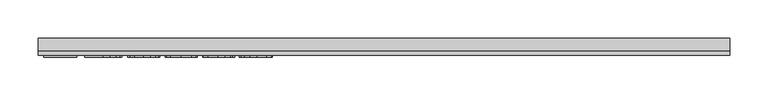
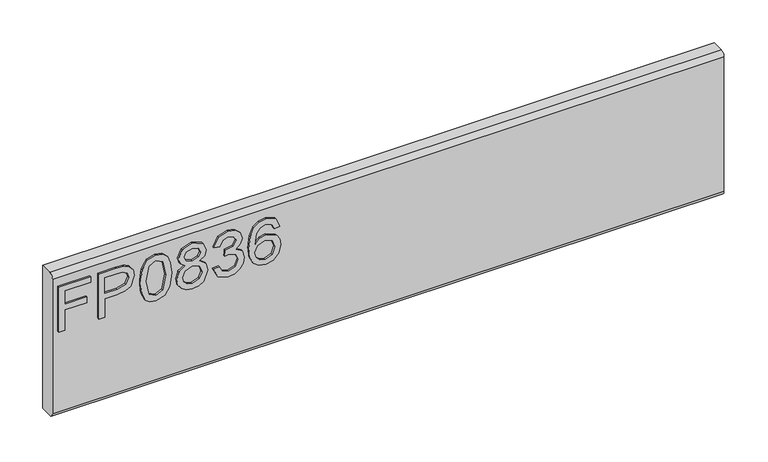
"""IFC4 building model written with IfcOpenShell, lengths in millimetres: furniture geometry."""

from ifc_helpers import new_model, si_unit, frame, origin, place, context, project, spatial, polyline, circle_curve, outline, extrude, source, transform, mapped, element, save
from ifc_brep_helpers import plane_surface, cylinder_surface, advanced_brep


def furniture_95ba7b6f(model_context):
    return source(origin(), model_context, "Body", "SolidModel", [
        extrude(outline(polyline([(679.45, -443.8729953), (679.45, -435.8992757), (708.3547336, -435.8992757), (708.3547336, -405.9978271), (716.3284532, -405.9978271), (716.3284532, -435.8992757), (735.2660373, -435.8992757), (735.2660373, -401.0142524), (743.2397569, -401.0142524), (743.2397569, -443.8729953), (679.45, -443.8729953)])), frame((0.0, -15.0812439, 0.0), z_axis=(0.0, 1.0, 0.0), x_axis=(0.0, 0.0, 1.0)), (0.0, 0.0, 1.0), 2.38125),
        extrude(outline(polyline([(679.45, -390.0503879), (679.45, -382.0766683), (705.3645888, -382.0766683), (705.3645888, -365.8644766), (706.774006, -354.5365776), (711.0022577, -347.3395948), (724.7849567, -342.2080702), (733.482852, -344.1080581), (739.6500257, -349.130567), (742.6323838, -356.8784684), (743.2397569, -366.4095551), (743.2397569, -390.0503879), (679.45, -390.0503879)]), holes=[polyline([(713.3383084, -382.0766683), (735.2660373, -382.0766683), (735.2660373, -365.5841506), (734.7209588, -357.6104309), (731.1078671, -352.2297276), (724.5046306, -350.1817898), (716.2661585, -353.6547185), (713.3383084, -365.3972665), (713.3383084, -382.0766683)])]), frame((0.0, -15.0812439, 0.0), z_axis=(0.0, 1.0, 0.0), x_axis=(0.0, 0.0, 1.0)), (0.0, 0.0, 1.0), 2.38125),
        extrude(outline(polyline([(710.8309473, -334.2343506), (695.3156775, -332.6458361), (684.5270168, -327.8802928), (679.971718, -321.5885296), (678.453285, -313.3033366), (681.9495742, -301.6308701), (692.5552443, -294.6927996), (710.8309473, -292.3723226), (725.8206058, -293.820674), (735.2582505, -297.5583551), (741.1840324, -303.9902813), (743.2397569, -313.3033366), (739.7668283, -324.9290821), (729.1845188, -331.8905131), (710.8309473, -334.2343506)]), holes=[polyline([(710.846521, -326.260631), (730.9988514, -322.3983605), (735.2660373, -313.3967786), (730.4226256, -303.9591339), (710.846521, -300.3460422), (691.0601718, -304.0837233), (686.4270047, -313.3033366), (691.0445982, -322.5229499), (710.846521, -326.260631)])]), frame((0.0, -15.0812439, 0.0), z_axis=(0.0, 1.0, 0.0), x_axis=(0.0, 0.0, 1.0)), (0.0, 0.0, 1.0), 2.38125),
        extrude(outline(polyline([(714.5842021, -273.7773593), (708.7907964, -282.3740257), (698.2318474, -285.3953179), (690.4742125, -283.9547533), (684.1143145, -279.6330596), (679.8685424, -272.9597415), (678.453285, -264.4643039), (679.8627023, -255.9688663), (684.090954, -249.2955482), (698.013816, -243.5332899), (708.3313731, -246.4377796), (714.5842021, -254.9176435), (719.513269, -247.8549837), (727.0275653, -245.5267198), (738.5209346, -250.7594733), (743.2397569, -264.5733196), (738.6299503, -278.2625765), (727.2455967, -283.401888), (719.5366295, -281.0424768), (714.5842021, -273.7773593)]), holes=[polyline([(727.0119916, -275.4281684), (732.8365446, -272.5548261), (735.2660373, -264.4643039), (732.7820368, -256.3971423), (726.6537972, -253.5004395), (720.7358022, -256.3037003), (718.3218831, -264.3708619), (720.7513758, -272.6015471), (727.0119916, -275.4281684)]), polyline([(698.5121735, -277.4215983), (706.9686769, -274.0498985), (710.3481635, -264.6667617), (706.9219559, -255.0110856), (698.2629947, -251.5070095), (689.7675571, -254.9020699), (686.4270047, -264.4020092), (688.0155191, -271.3790139), (692.5085232, -276.0900494), (698.5121735, -277.4215983)])]), frame((0.0, -15.0812439, 0.0), z_axis=(0.0, 1.0, 0.0), x_axis=(0.0, 0.0, 1.0)), (0.0, 0.0, 1.0), 2.38125),
        extrude(outline(polyline([(696.3941542, -236.5562853), (683.4524335, -230.2178011), (678.453285, -216.2326444), (679.9172101, -207.7099529), (684.3089854, -200.7991364), (690.8032063, -196.220477), (698.5744681, -194.6942573), (708.9465331, -197.7466968), (714.397318, -206.4368053), (719.6767925, -199.8958634), (727.0275653, -197.6844021), (735.0713664, -200.012666), (741.0516562, -206.7404919), (743.2397569, -216.3572338), (738.8012607, -229.0342021), (726.2956028, -235.5595703), (725.2988878, -227.5858507), (732.7742499, -223.6768592), (735.2660373, -216.0769077), (732.7976105, -208.5703982), (726.5603552, -205.6581217), (719.5210558, -209.6761289), (717.3251682, -220.0014729), (709.3514486, -220.8891721), (710.2235742, -215.2982242), (706.96089, -206.2343476), (698.7146312, -202.6679769), (689.962228, -206.2654949), (686.4270047, -215.9523184), (688.9966604, -224.1830036), (697.3908691, -228.5825656), (696.3941542, -236.5562853)])), frame((0.0, -15.0812439, 0.0), z_axis=(0.0, 1.0, 0.0), x_axis=(0.0, 0.0, 1.0)), (0.0, 0.0, 1.0), 2.38125),
        extrude(outline(polyline([(726.2956028, -146.8519396), (738.738966, -152.7387872), (743.2397569, -165.3378872), (741.4215308, -174.5925413), (735.9668525, -181.7369629), (725.1081103, -186.9697164), (709.2268592, -188.7139676), (695.1015395, -187.1429735), (685.6171738, -182.4299913), (680.2442572, -175.2252216), (678.453285, -166.1788654), (681.155317, -155.7289321), (688.9421526, -148.487175), (699.9449512, -145.8552246), (708.1172351, -147.2529616), (714.6309231, -151.4461725), (720.315313, -164.9952664), (718.2362279, -173.7087354), (711.8743833, -180.7402479), (726.0853582, -178.4742788), (733.3349021, -173.0312807), (735.2660373, -165.8362447), (731.9488454, -157.8469514), (725.2988878, -154.8256592), (726.2956028, -146.8519396)]), holes=[polyline([(700.0695406, -180.7402479), (708.95432, -176.7767486), (712.3415934, -167.1288594), (708.95432, -157.3563807), (699.6801988, -153.8289442), (689.9933754, -157.4031017), (686.4270047, -166.8018123), (688.1478953, -173.9890615), (693.1626174, -178.8947679), (700.0695406, -180.7402479)])]), frame((0.0, -15.0812439, 0.0), z_axis=(0.0, 1.0, 0.0), x_axis=(0.0, 0.0, 1.0)), (0.0, 0.0, 1.0), 2.38125),
        advanced_brep(
        [(450.85, 9.5250061, 762.0), (450.85, -6.7309939, 762.0), (450.85, -12.6999939, 756.031), (450.85, -12.6999939, 564.769), (450.85, -6.7309939, 558.8), (450.85, 9.5250061, 558.8), (-450.85, 9.5250061, 762.0), (-450.85, 9.5250061, 558.8), (-450.85, -6.7309939, 558.8), (-450.85, -12.6999939, 564.769), (-450.85, -12.6999939, 756.0310121), (-450.85, -6.7309939, 762.0)],
        [
            (0, 1),
            (1, 2, circle_curve(frame((450.85, -6.7309939, 756.031), z_axis=(1.0, 0.0, 0.0), x_axis=(0.0, 1.0, 0.0)), 5.969)),
            (2, 3),
            (3, 4, circle_curve(frame((450.85, -6.7309939, 564.769), z_axis=(1.0, 0.0, 0.0), x_axis=(0.0, 1.0, 0.0)), 5.969)),
            (4, 5),
            (5, 0),
            (6, 7),
            (7, 8),
            (8, 9, circle_curve(frame((-450.85, -6.7309939, 564.769), z_axis=(-1.0, 0.0, 0.0), x_axis=(0.0, 1.0, 0.0)), 5.969)),
            (9, 10),
            (10, 11, circle_curve(frame((-450.85, -6.7309939, 756.031), z_axis=(-1.0, 0.0, 0.0), x_axis=(0.0, 1.0, 0.0)), 5.969)),
            (11, 6),
            (0, 6),
            (11, 1),
            (10, 2),
            (9, 3),
            (8, 4),
            (7, 5),
        ],
        [
            plane_surface(frame((450.85, -6.7309939, 762.0), z_axis=(1.0, 0.0, 0.0), x_axis=(0.0, -1.0, 0.0))),
            plane_surface(frame((-450.85, -6.7309939, 762.0), z_axis=(-1.0, 0.0, 0.0), x_axis=(0.0, 1.0, 0.0))),
            plane_surface(frame((450.85, 9.5250061, 762.0), z_axis=(0.0, 0.0, 1.0), x_axis=(-1.0, 0.0, 0.0))),
            cylinder_surface(frame((-450.85, -6.7309939, 756.031), z_axis=(1.0, 0.0, 0.0), x_axis=(0.0, 1.0, 0.0)), 5.969),
            plane_surface(frame((450.85, -12.6999939, 756.0310121), z_axis=(0.0, -1.0, 0.0), x_axis=(-1.0, 0.0, 0.0))),
            cylinder_surface(frame((-450.85, -6.7309939, 564.769), z_axis=(1.0, 0.0, 0.0), x_axis=(0.0, 1.0, 0.0)), 5.969),
            plane_surface(frame((450.85, -6.7309939, 558.8), z_axis=(0.0, 0.0, -1.0), x_axis=(-1.0, 0.0, 0.0))),
            plane_surface(frame((450.85, 9.5250061, 558.8), z_axis=(0.0, 1.0, 0.0), x_axis=(-1.0, 0.0, 0.0))),
        ],
        [
            (0, [[1, 2, 3, 4, 5, 6]]),
            (1, [[7, 8, 9, 10, 11, 12]]),
            (2, [[-1, 13, -12, 14]]),
            (3, [[-2, -14, -11, 15]]),
            (4, [[-3, -15, -10, 16]]),
            (5, [[-4, -16, -9, 17]]),
            (6, [[-5, -17, -8, 18]]),
            (7, [[-6, -18, -7, -13]]),
        ],
    ),
    ])


if __name__ == "__main__":
    model = new_model("IFC4")
    model_context = context("Model", 3, world=origin())
    ifc_project = project(units=[si_unit("LENGTHUNIT", "METRE", prefix="MILLI")], contexts=[model_context])
    site = spatial("IfcSite", under=ifc_project)
    building = spatial("IfcBuilding", under=site)
    placement = place(None, origin())
    furniture_shape = furniture_95ba7b6f(model_context)
    element("IfcFurniture", 1, at=placement, inside=building, context=model_context, shape_type="MappedRepresentation", body=[
        mapped(furniture_shape, transform((0.0, 0.0, 0.0), x_axis=(1.0, 0.0, 0.0), y_axis=(0.0, 1.0, 0.0), z_axis=(0.0, 0.0, 1.0))),
    ])
    save(model, "model.ifc")
